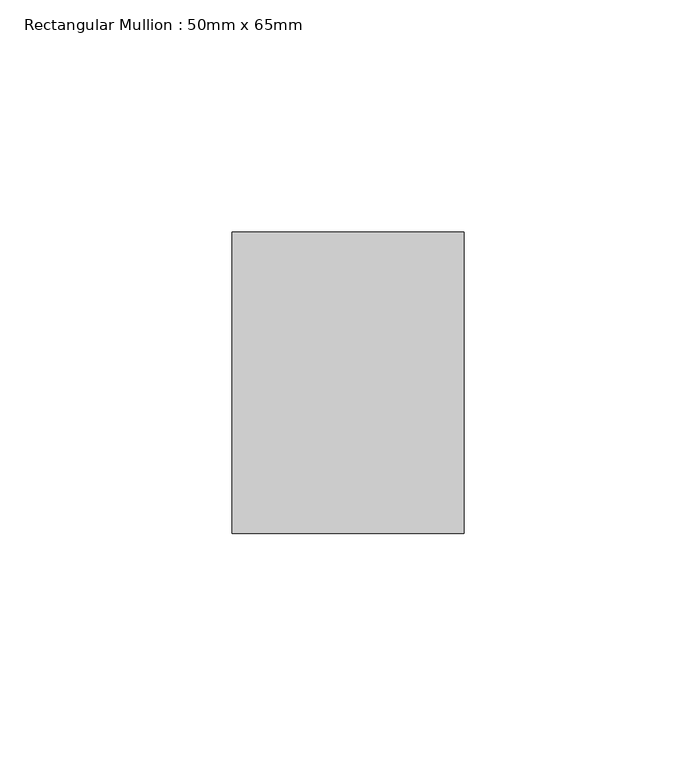
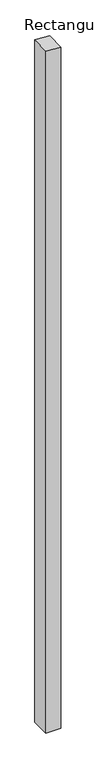
"""IFC4 building model written with IfcOpenShell, lengths in millimetres: member geometry, Rectangular Mullion : 50mm x 65mm."""

from ifc_helpers import new_model, si_unit, origin, place, context, project, spatial, faceted_brep, source, transform, mapped, element, save


def rectangular_mullion_50mm_x_65mm_4842e718(model_context):
    return source(origin(), model_context, "Body", "Brep", [
        faceted_brep([(25.0, 32.5, -2446.8637498), (25.0, -32.5, -2446.8637498), (-25.0, -32.5, -2446.8637498), (-25.0, 32.5, -2446.8637498), (-25.0, 32.5, 2.0963617), (25.0, 32.5, -0.2502148), (-25.0, -32.5, 0.2502148), (25.0, -32.5, -2.0963617)], [[[0, 1, 2, 3]], [[4, 5, 0, 3]], [[6, 4, 3, 2]], [[7, 6, 2, 1]], [[5, 7, 1, 0]], [[5, 4, 6, 7]]]),
    ])


if __name__ == "__main__":
    model = new_model("IFC4")
    model_context = context("Model", 3, world=origin())
    ifc_project = project(units=[si_unit("LENGTHUNIT", "METRE", prefix="MILLI")], contexts=[model_context])
    site = spatial("IfcSite", under=ifc_project)
    building = spatial("IfcBuilding", under=site)
    placement = place(None, origin())
    rectangular_mullion_50mm_x_65mm_shape = rectangular_mullion_50mm_x_65mm_4842e718(model_context)
    element("IfcMember", 1, ObjectType="Rectangular Mullion : 50mm x 65mm", at=placement, inside=building, context=model_context, shape_type="MappedRepresentation", body=[
        mapped(rectangular_mullion_50mm_x_65mm_shape, transform((0.0, 0.0, 0.0), x_axis=(1.0, 0.0, 0.0), y_axis=(0.0, 1.0, 0.0), z_axis=(0.0, 0.0, 1.0))),
    ])
    save(model, "model.ifc")
